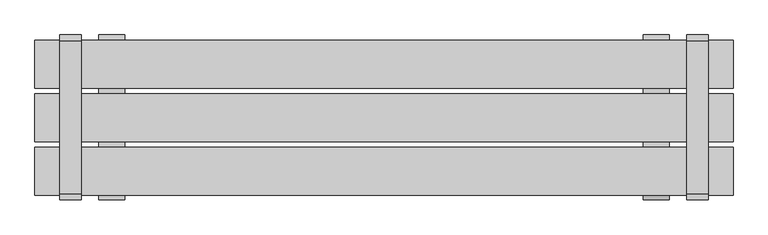
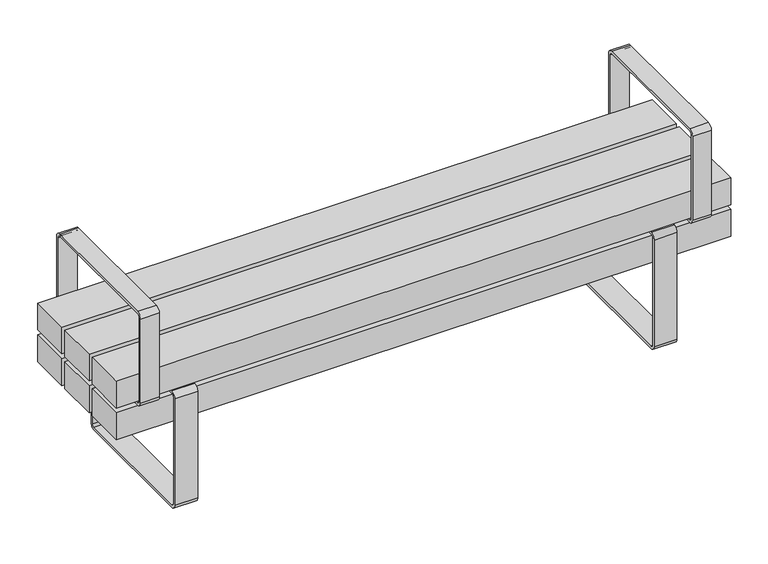
"""IFC4 building model written with IfcOpenShell, lengths in millimetres: furniture geometry."""

from ifc_helpers import new_model, si_unit, point, frame, frame_2d, origin, place, context, project, spatial, polyline, circle_curve, trimmed, segment, composite_curve, outline, extrude, source, transform, mapped, element, save


def furniture_ad147179(model_context):
    return source(origin(), model_context, "Body", "SweptSolid", [
        extrude(outline(composite_curve([segment(polyline([(198.4124417, 0.0), (-196.5875583, 0.0)]), True, "CONTINUOUS"), segment(trimmed(circle_curve(frame_2d((-196.5875583, 15.0)), 15.0), [point((-196.5875583, 0.0))], [point((-211.5875583, 15.0))], False, "CARTESIAN"), True, "CONTINUOUS"), segment(polyline([(-211.5875583, 15.0), (-211.5875583, 345.3217453)]), True, "CONTINUOUS"), segment(trimmed(circle_curve(frame_2d((-196.5875583, 345.3217453)), 15.0), [point((-211.5875583, 345.3217453))], [point((-196.5875583, 360.3217453))], False, "CARTESIAN"), True, "CONTINUOUS"), segment(polyline([(-196.5875583, 360.3217453), (198.4124417, 360.3217453)]), True, "CONTINUOUS"), segment(trimmed(circle_curve(frame_2d((198.4124417, 345.3217453)), 15.0), [point((198.4124417, 360.3217453))], [point((213.4124417, 345.3217453))], False, "CARTESIAN"), True, "CONTINUOUS"), segment(polyline([(213.4124417, 345.3217453), (213.4124417, 15.0)]), True, "CONTINUOUS"), segment(trimmed(circle_curve(frame_2d((198.4124417, 15.0)), 15.0), [point((213.4124417, 15.0))], [point((198.4124417, 0.0))], False, "CARTESIAN"), True, "CONTINUOUS")], self_intersect=False), holes=[composite_curve([segment(trimmed(circle_curve(frame_2d((-196.5875583, 15.0)), 6.5), [point((-203.0875583, 15.0))], [point((-196.5875583, 8.5))], True, "CARTESIAN"), True, "CONTINUOUS"), segment(polyline([(-196.5875583, 8.5), (198.4124417, 8.5)]), True, "CONTINUOUS"), segment(trimmed(circle_curve(frame_2d((198.4124417, 15.0)), 6.5), [point((198.4124417, 8.5))], [point((204.9124417, 15.0))], True, "CARTESIAN"), True, "CONTINUOUS"), segment(polyline([(204.9124417, 15.0), (204.9124417, 345.3217453)]), True, "CONTINUOUS"), segment(trimmed(circle_curve(frame_2d((198.4124417, 345.3217453)), 6.5), [point((204.9124417, 345.3217453))], [point((198.4124417, 351.8217453))], True, "CARTESIAN"), True, "CONTINUOUS"), segment(polyline([(198.4124417, 351.8217453), (-196.5875583, 351.8217453)]), True, "CONTINUOUS"), segment(trimmed(circle_curve(frame_2d((-196.5875583, 345.3217453)), 6.5), [point((-196.5875583, 351.8217453))], [point((-203.0875583, 345.3217453))], True, "CARTESIAN"), True, "CONTINUOUS"), segment(polyline([(-203.0875583, 345.3217453), (-203.0875583, 15.0)]), True, "CONTINUOUS")], self_intersect=False)]), frame((668.5975006, 0.0, 0.0), z_axis=(1.0, 0.0, 0.0), x_axis=(0.0, 1.0, 0.0)), (0.0, 0.0, 1.0), 67.040596),
        extrude(outline(composite_curve([segment(polyline([(198.4124417, 0.0), (-196.5875583, 0.0)]), True, "CONTINUOUS"), segment(trimmed(circle_curve(frame_2d((-196.5875583, 15.0)), 15.0), [point((-196.5875583, 0.0))], [point((-211.5875583, 15.0))], False, "CARTESIAN"), True, "CONTINUOUS"), segment(polyline([(-211.5875583, 15.0), (-211.5875583, 345.3217453)]), True, "CONTINUOUS"), segment(trimmed(circle_curve(frame_2d((-196.5875583, 345.3217453)), 15.0), [point((-211.5875583, 345.3217453))], [point((-196.5875583, 360.3217453))], False, "CARTESIAN"), True, "CONTINUOUS"), segment(polyline([(-196.5875583, 360.3217453), (198.4124417, 360.3217453)]), True, "CONTINUOUS"), segment(trimmed(circle_curve(frame_2d((198.4124417, 345.3217453)), 15.0), [point((198.4124417, 360.3217453))], [point((213.4124417, 345.3217453))], False, "CARTESIAN"), True, "CONTINUOUS"), segment(polyline([(213.4124417, 345.3217453), (213.4124417, 15.0)]), True, "CONTINUOUS"), segment(trimmed(circle_curve(frame_2d((198.4124417, 15.0)), 15.0), [point((213.4124417, 15.0))], [point((198.4124417, 0.0))], False, "CARTESIAN"), True, "CONTINUOUS")], self_intersect=False), holes=[composite_curve([segment(trimmed(circle_curve(frame_2d((-196.5875583, 15.0)), 6.5), [point((-203.0875583, 15.0))], [point((-196.5875583, 8.5))], True, "CARTESIAN"), True, "CONTINUOUS"), segment(polyline([(-196.5875583, 8.5), (198.4124417, 8.5)]), True, "CONTINUOUS"), segment(trimmed(circle_curve(frame_2d((198.4124417, 15.0)), 6.5), [point((198.4124417, 8.5))], [point((204.9124417, 15.0))], True, "CARTESIAN"), True, "CONTINUOUS"), segment(polyline([(204.9124417, 15.0), (204.9124417, 345.3217453)]), True, "CONTINUOUS"), segment(trimmed(circle_curve(frame_2d((198.4124417, 345.3217453)), 6.5), [point((204.9124417, 345.3217453))], [point((198.4124417, 351.8217453))], True, "CARTESIAN"), True, "CONTINUOUS"), segment(polyline([(198.4124417, 351.8217453), (-196.5875583, 351.8217453)]), True, "CONTINUOUS"), segment(trimmed(circle_curve(frame_2d((-196.5875583, 345.3217453)), 6.5), [point((-196.5875583, 351.8217453))], [point((-203.0875583, 345.3217453))], True, "CARTESIAN"), True, "CONTINUOUS"), segment(polyline([(-203.0875583, 345.3217453), (-203.0875583, 15.0)]), True, "CONTINUOUS")], self_intersect=False)]), frame((-735.6380966, 0.0, 0.0), z_axis=(1.0, 0.0, 0.0), x_axis=(0.0, 1.0, 0.0)), (0.0, 0.0, 1.0), 67.040596),
        extrude(outline(composite_curve([segment(polyline([(198.4124417, 351.8217453), (-196.5875583, 351.8217453)]), True, "CONTINUOUS"), segment(trimmed(circle_curve(frame_2d((-196.5875583, 366.8217453)), 15.0), [point((-196.5875583, 351.8217453))], [point((-211.5875583, 366.8217453))], False, "CARTESIAN"), True, "CONTINUOUS"), segment(polyline([(-211.5875583, 366.8217453), (-211.5875583, 626.8217453)]), True, "CONTINUOUS"), segment(trimmed(circle_curve(frame_2d((-196.5875583, 626.8217453)), 15.0), [point((-211.5875583, 626.8217453))], [point((-196.5875583, 641.8217453))], False, "CARTESIAN"), True, "CONTINUOUS"), segment(polyline([(-196.5875583, 641.8217453), (198.4124417, 641.8217453)]), True, "CONTINUOUS"), segment(trimmed(circle_curve(frame_2d((198.4124417, 626.8217453)), 15.0), [point((198.4124417, 641.8217453))], [point((213.4124417, 626.8217453))], False, "CARTESIAN"), True, "CONTINUOUS"), segment(polyline([(213.4124417, 626.8217453), (213.4124417, 366.8217453)]), True, "CONTINUOUS"), segment(trimmed(circle_curve(frame_2d((198.4124417, 366.8217453)), 15.0), [point((213.4124417, 366.8217453))], [point((198.4124417, 351.8217453))], False, "CARTESIAN"), True, "CONTINUOUS")], self_intersect=False), holes=[composite_curve([segment(trimmed(circle_curve(frame_2d((-196.5875583, 366.8217453)), 6.5), [point((-203.0875583, 366.8217453))], [point((-196.5875583, 360.3217453))], True, "CARTESIAN"), True, "CONTINUOUS"), segment(polyline([(-196.5875583, 360.3217453), (198.4124417, 360.3217453)]), True, "CONTINUOUS"), segment(trimmed(circle_curve(frame_2d((198.4124417, 366.8217453)), 6.5), [point((198.4124417, 360.3217453))], [point((204.9124417, 366.8217453))], True, "CARTESIAN"), True, "CONTINUOUS"), segment(polyline([(204.9124417, 366.8217453), (204.9124417, 626.8217453)]), True, "CONTINUOUS"), segment(trimmed(circle_curve(frame_2d((198.4124417, 626.8217453)), 6.5), [point((204.9124417, 626.8217453))], [point((198.4124417, 633.3217453))], True, "CARTESIAN"), True, "CONTINUOUS"), segment(polyline([(198.4124417, 633.3217453), (-196.5875583, 633.3217453)]), True, "CONTINUOUS"), segment(trimmed(circle_curve(frame_2d((-196.5875583, 626.8217453)), 6.5), [point((-196.5875583, 633.3217453))], [point((-203.0875583, 626.8217453))], True, "CARTESIAN"), True, "CONTINUOUS"), segment(polyline([(-203.0875583, 626.8217453), (-203.0875583, 366.8217453)]), True, "CONTINUOUS")], self_intersect=False)]), frame((-836.1291871, 0.0, 0.0), z_axis=(1.0, 0.0, 0.0), x_axis=(0.0, 1.0, 0.0)), (0.0, 0.0, 1.0), 55.0),
        extrude(outline(polyline([(351.8217453, 900.0000373), (351.8217453, -900.0), (268.7167987, -900.0), (268.7167987, 900.0000373), (351.8217453, 900.0000373)]), holes=[polyline([(339.8217453, -888.0), (339.8217453, 888.0), (280.7167987, 888.0), (280.7167987, -888.0), (339.8217453, -888.0)])]), frame((0.0, -61.5000218, 0.0), z_axis=(0.0, 1.0, 0.0), x_axis=(0.0, 0.0, 1.0)), (0.0, 0.0, 1.0), 123.0000435),
        extrude(outline(composite_curve([segment(polyline([(198.4124417, 351.8217453), (-196.5875583, 351.8217453)]), True, "CONTINUOUS"), segment(trimmed(circle_curve(frame_2d((-196.5875583, 366.8217453)), 15.0), [point((-196.5875583, 351.8217453))], [point((-211.5875583, 366.8217453))], False, "CARTESIAN"), True, "CONTINUOUS"), segment(polyline([(-211.5875583, 366.8217453), (-211.5875583, 626.8217453)]), True, "CONTINUOUS"), segment(trimmed(circle_curve(frame_2d((-196.5875583, 626.8217453)), 15.0), [point((-211.5875583, 626.8217453))], [point((-196.5875583, 641.8217453))], False, "CARTESIAN"), True, "CONTINUOUS"), segment(polyline([(-196.5875583, 641.8217453), (198.4124417, 641.8217453)]), True, "CONTINUOUS"), segment(trimmed(circle_curve(frame_2d((198.4124417, 626.8217453)), 15.0), [point((198.4124417, 641.8217453))], [point((213.4124417, 626.8217453))], False, "CARTESIAN"), True, "CONTINUOUS"), segment(polyline([(213.4124417, 626.8217453), (213.4124417, 366.8217453)]), True, "CONTINUOUS"), segment(trimmed(circle_curve(frame_2d((198.4124417, 366.8217453)), 15.0), [point((213.4124417, 366.8217453))], [point((198.4124417, 351.8217453))], False, "CARTESIAN"), True, "CONTINUOUS")], self_intersect=False), holes=[composite_curve([segment(trimmed(circle_curve(frame_2d((-196.5875583, 366.8217453)), 6.5), [point((-203.0875583, 366.8217453))], [point((-196.5875583, 360.3217453))], True, "CARTESIAN"), True, "CONTINUOUS"), segment(polyline([(-196.5875583, 360.3217453), (198.4124417, 360.3217453)]), True, "CONTINUOUS"), segment(trimmed(circle_curve(frame_2d((198.4124417, 366.8217453)), 6.5), [point((198.4124417, 360.3217453))], [point((204.9124417, 366.8217453))], True, "CARTESIAN"), True, "CONTINUOUS"), segment(polyline([(204.9124417, 366.8217453), (204.9124417, 626.8217453)]), True, "CONTINUOUS"), segment(trimmed(circle_curve(frame_2d((198.4124417, 626.8217453)), 6.5), [point((204.9124417, 626.8217453))], [point((198.4124417, 633.3217453))], True, "CARTESIAN"), True, "CONTINUOUS"), segment(polyline([(198.4124417, 633.3217453), (-196.5875583, 633.3217453)]), True, "CONTINUOUS"), segment(trimmed(circle_curve(frame_2d((-196.5875583, 626.8217453)), 6.5), [point((-196.5875583, 633.3217453))], [point((-203.0875583, 626.8217453))], True, "CARTESIAN"), True, "CONTINUOUS"), segment(polyline([(-203.0875583, 626.8217453), (-203.0875583, 366.8217453)]), True, "CONTINUOUS")], self_intersect=False)]), frame((781.1291871, 0.0, 0.0), z_axis=(1.0, 0.0, 0.0), x_axis=(0.0, 1.0, 0.0)), (0.0, 0.0, 1.0), 55.0),
        extrude(outline(polyline([(900.0, -76.5174894), (900.0, -199.5174894), (-900.0, -199.5174894), (-900.0, -76.5174894), (900.0, -76.5174894)])), frame((0.0, 0.0, 366.8258682), z_axis=(0.0, 0.0, 1.0), x_axis=(1.0, 0.0, 0.0)), (0.0, 0.0, 1.0), 83.1049466),
        extrude(outline(polyline([(900.0, 61.4888479), (900.0, -61.5111521), (-900.0, -61.5111521), (-900.0, 61.4888479), (900.0, 61.4888479)])), frame((0.0, 0.0, 366.8258682), z_axis=(0.0, 0.0, 1.0), x_axis=(1.0, 0.0, 0.0)), (0.0, 0.0, 1.0), 83.1049466),
        extrude(outline(polyline([(900.0, 199.4999782), (900.0, 76.4999782), (-900.0, 76.4999782), (-900.0, 199.4999782), (900.0, 199.4999782)])), frame((0.0, 0.0, 366.8258682), z_axis=(0.0, 0.0, 1.0), x_axis=(1.0, 0.0, 0.0)), (0.0, 0.0, 1.0), 83.1049466),
        extrude(outline(polyline([(900.0, -76.5174894), (900.0, -199.5174894), (-900.0, -199.5174894), (-900.0, -76.5174894), (900.0, -76.5174894)])), frame((0.0, 0.0, 268.7167987), z_axis=(0.0, 0.0, 1.0), x_axis=(1.0, 0.0, 0.0)), (0.0, 0.0, 1.0), 83.1049466),
        extrude(outline(polyline([(900.0, 199.4999782), (900.0, 76.4999782), (-900.0, 76.4999782), (-900.0, 199.4999782), (900.0, 199.4999782)])), frame((0.0, 0.0, 268.7167987), z_axis=(0.0, 0.0, 1.0), x_axis=(1.0, 0.0, 0.0)), (0.0, 0.0, 1.0), 83.1049466),
        extrude(outline(polyline([(735.4649994, -171.2111197), (668.4244034, -171.2111197), (668.4244034, 168.7288553), (735.4649994, 168.7288553), (735.4649994, -171.2111197)])), frame((0.0, 0.0, 351.8217453), z_axis=(0.0, 0.0, 1.0), x_axis=(1.0, 0.0, 0.0)), (0.0, 0.0, 1.0), 15.004123),
        extrude(outline(polyline([(-668.5975006, -171.2111197), (-735.6380966, -171.2111197), (-735.6380966, 168.7288553), (-668.5975006, 168.7288553), (-668.5975006, -171.2111197)])), frame((0.0, 0.0, 351.8217453), z_axis=(0.0, 0.0, 1.0), x_axis=(1.0, 0.0, 0.0)), (0.0, 0.0, 1.0), 15.004123),
    ])


if __name__ == "__main__":
    model = new_model("IFC4")
    model_context = context("Model", 3, world=origin())
    ifc_project = project(units=[si_unit("LENGTHUNIT", "METRE", prefix="MILLI")], contexts=[model_context])
    site = spatial("IfcSite", under=ifc_project)
    building = spatial("IfcBuilding", under=site)
    placement = place(None, origin())
    furniture_shape = furniture_ad147179(model_context)
    element("IfcFurniture", 1, at=placement, inside=building, context=model_context, shape_type="MappedRepresentation", body=[
        mapped(furniture_shape, transform((0.0, 0.0, 0.0), x_axis=(1.0, 0.0, 0.0), y_axis=(0.0, 1.0, 0.0), z_axis=(0.0, 0.0, 1.0))),
    ])
    save(model, "model.ifc")
